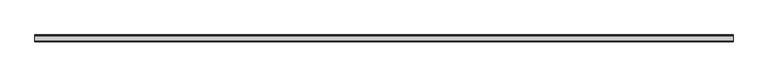
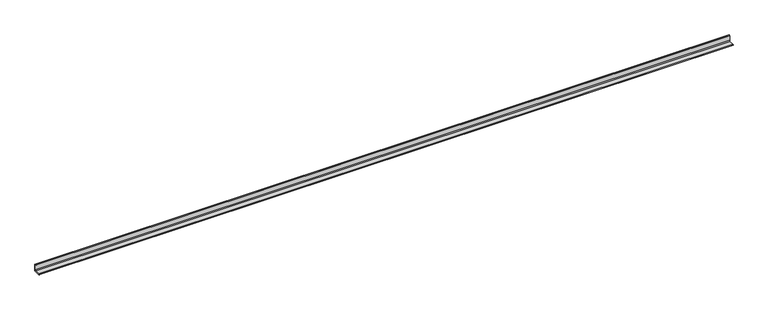
"""IFC4 building model written with IfcOpenShell, lengths in millimetres: beam geometry."""

from ifc_helpers import new_model, si_unit, point, frame, frame_2d, origin, place, context, project, spatial, polyline, circle_curve, trimmed, segment, composite_curve, outline, extrude, source, transform, mapped, element, save


def beam_9f31a5a0(model_context):
    return source(origin(), model_context, "Body", "SweptSolid", [
        extrude(outline(composite_curve([segment(polyline([(21.3, -21.3), (-53.7, -21.3), (-53.7, -18.3)]), True, "CONTINUOUS"), segment(trimmed(circle_curve(frame_2d((-48.7, -18.3)), 5.0), [point((-53.7, -18.3))], [point((-48.7, -13.3))], False, "CARTESIAN"), True, "CONTINUOUS"), segment(polyline([(-48.7, -13.3), (5.3, -13.3)]), True, "CONTINUOUS"), segment(trimmed(circle_curve(frame_2d((5.3, -5.3)), 8.0), [point((5.3, -13.3))], [point((13.3, -5.3))], True, "CARTESIAN"), True, "CONTINUOUS"), segment(polyline([(13.3, -5.3), (13.3, 48.7)]), True, "CONTINUOUS"), segment(trimmed(circle_curve(frame_2d((18.3, 48.7)), 5.0), [point((13.3, 48.7))], [point((18.3, 53.7))], False, "CARTESIAN"), True, "CONTINUOUS"), segment(polyline([(18.3, 53.7), (21.3, 53.7), (21.3, -21.3)]), True, "CONTINUOUS")], self_intersect=False)), frame((-3834.5, 0.0, 0.0), z_axis=(1.0, 0.0, 0.0), x_axis=(0.0, 1.0, 0.0)), (0.0, 0.0, 1.0), 7534.0),
    ])


if __name__ == "__main__":
    model = new_model("IFC4")
    model_context = context("Model", 3, world=origin())
    ifc_project = project(units=[si_unit("LENGTHUNIT", "METRE", prefix="MILLI")], contexts=[model_context])
    site = spatial("IfcSite", under=ifc_project)
    building = spatial("IfcBuilding", under=site)
    placement = place(None, origin())
    beam_shape = beam_9f31a5a0(model_context)
    element("IfcBeam", 1, at=placement, inside=building, context=model_context, shape_type="MappedRepresentation", body=[
        mapped(beam_shape, transform((0.0, 0.0, 0.0), x_axis=(1.0, 0.0, 0.0), y_axis=(0.0, 1.0, 0.0), z_axis=(0.0, 0.0, 1.0))),
    ])
    save(model, "model.ifc")
